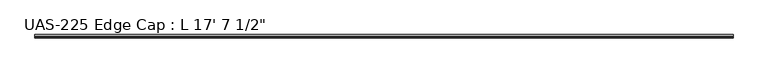
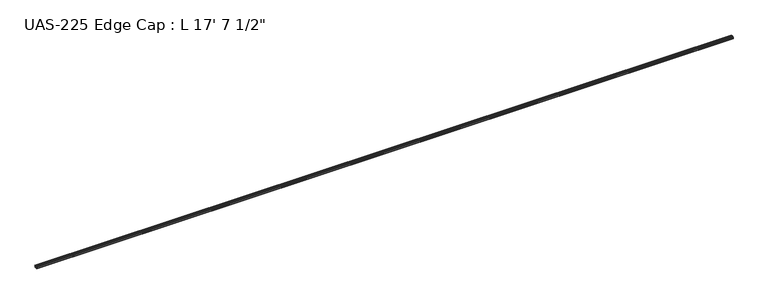
"""IFC4 building model written with IfcOpenShell, lengths in millimetres: proxy geometry."""

from ifc_helpers import new_model, si_unit, point, frame, frame_2d, origin, place, context, project, spatial, polyline, circle_curve, trimmed, segment, composite_curve, outline, extrude, source, transform, mapped, element, save


def proxy_a18169c5(model_context):
    return source(origin(), model_context, "Body", "SweptSolid", [
        extrude(outline(composite_curve([segment(polyline([(-9.5453957, 1.5875), (-9.5453957, 14.2875), (-5.3416957, 14.2875)]), True, "CONTINUOUS"), segment(trimmed(circle_curve(frame_2d((-3.7668957, 14.2875)), 1.5748), [point((-5.3416957, 14.2875))], [point((-2.1920957, 14.2875))], False, "CARTESIAN"), True, "CONTINUOUS"), segment(polyline([(-2.1920957, 14.2875), (1.9862043, 14.2875)]), True, "CONTINUOUS"), segment(trimmed(circle_curve(frame_2d((3.5737043, 14.2875)), 1.5875), [point((1.9862043, 14.2875))], [point((5.1612043, 14.2875))], False, "CARTESIAN"), True, "CONTINUOUS"), segment(polyline([(5.1612043, 14.2875), (17.4398781, 14.2875), (17.4398781, 13.2461984)]), True, "CONTINUOUS"), segment(trimmed(circle_curve(frame_2d((16.7123859, 13.2461984)), 0.7274922), [point((17.4398781, 13.2461984))], [point((16.8595257, 12.5337415))], False, "CARTESIAN"), True, "CONTINUOUS"), segment(polyline([(16.8595257, 12.5337415), (15.3531342, 12.7274604), (14.5147118, 12.471129), (13.6762893, 12.7274604), (12.8378669, 12.471129), (11.9994444, 12.7274604), (11.161022, 12.471129), (10.3225996, 12.7274604), (9.4841771, 12.471129), (8.844516, 13.11079), (6.6878438, 13.11079), (5.8069017, 12.7), (-7.9578957, 12.7), (-7.9578957, 9.525), (-8.4670596, 8.9182021), (-8.4670596, 7.9375), (-8.4670596, 6.9567979), (-7.9578957, 6.35), (-7.9578957, 3.175), (5.8069017, 3.175), (6.6878438, 2.76421), (8.844516, 2.76421), (9.4841771, 3.403871), (10.3225996, 3.1475396), (11.161022, 3.403871), (11.9994444, 3.1475396), (12.8378669, 3.403871), (13.6762893, 3.1475396), (14.5147118, 3.403871), (15.3531342, 3.1475396), (16.8595257, 3.3412585)]), True, "CONTINUOUS"), segment(trimmed(circle_curve(frame_2d((16.7123859, 2.6288016)), 0.7274922), [point((16.8595257, 3.3412585))], [point((17.4398781, 2.6288016))], False, "CARTESIAN"), True, "CONTINUOUS"), segment(polyline([(17.4398781, 2.6288016), (17.4398781, 1.5875), (5.1612043, 1.5875)]), True, "CONTINUOUS"), segment(trimmed(circle_curve(frame_2d((3.5737043, 1.5875)), 1.5875), [point((5.1612043, 1.5875))], [point((1.9862043, 1.5875))], False, "CARTESIAN"), True, "CONTINUOUS"), segment(polyline([(1.9862043, 1.5875), (-2.1920957, 1.5875)]), True, "CONTINUOUS"), segment(trimmed(circle_curve(frame_2d((-3.7668957, 1.5875)), 1.5748), [point((-2.1920957, 1.5875))], [point((-5.3416957, 1.5875))], False, "CARTESIAN"), True, "CONTINUOUS"), segment(polyline([(-5.3416957, 1.5875), (-9.5453957, 1.5875)]), True, "CONTINUOUS")], self_intersect=False)), frame((0.0, 0.0, 0.0), z_axis=(1.0, 0.0, 0.0), x_axis=(0.0, 1.0, 0.0)), (0.0, 0.0, 1.0), 5372.1),
    ])


if __name__ == "__main__":
    model = new_model("IFC4")
    model_context = context("Model", 3, world=origin())
    ifc_project = project(units=[si_unit("LENGTHUNIT", "METRE", prefix="MILLI")], contexts=[model_context])
    site = spatial("IfcSite", under=ifc_project)
    building = spatial("IfcBuilding", under=site)
    placement = place(None, origin())
    proxy_shape = proxy_a18169c5(model_context)
    element("IfcBuildingElementProxy", 1, Name="UAS-225 Edge Cap : L 17' 7 1/2\"", ObjectType="UAS-225 Edge Cap : L 17' 7 1/2\"", at=placement, inside=building, context=model_context, shape_type="MappedRepresentation", body=[
        mapped(proxy_shape, transform((0.0, 0.0, 0.0), x_axis=(1.0, 0.0, 0.0), y_axis=(0.0, 1.0, 0.0), z_axis=(0.0, 0.0, 1.0))),
    ])
    save(model, "model.ifc")
